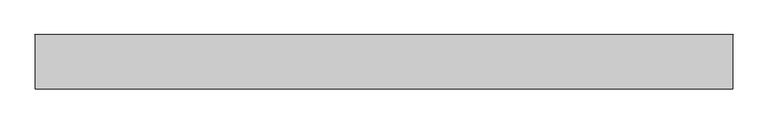
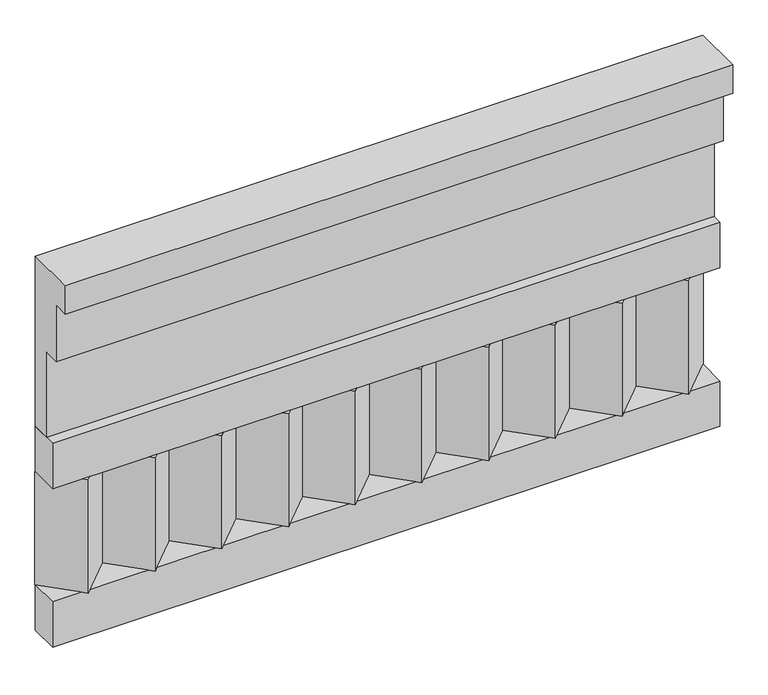
"""IFC4 building model written with IfcOpenShell, lengths in millimetres: railing geometry."""

from ifc_helpers import new_model, si_unit, frame, origin, place, context, project, spatial, polyline, outline, extrude, source, transform, mapped, element, save


def railing_4b5cf7de(model_context):
    return source(origin(), model_context, "Body", "SweptSolid", [
        extrude(outline(polyline([(-16816.8920513, 15205.0), (-16816.8920513, 14755.0), (-16866.8920513, 14755.0), (-16866.8920513, 14980.0), (-16906.8920513, 14980.0), (-16906.8920513, 15130.0), (-16946.8920513, 15130.0), (-16946.8920513, 15205.0), (-16816.8920513, 15205.0)])), frame((-26239.9887159, 0.0, 0.0), z_axis=(1.0, 0.0, 0.0), x_axis=(0.0, 1.0, 0.0)), (0.0, 0.0, 1.0), 1670.0),
        extrude(outline(polyline([(-26239.9887159, -16891.8920513), (-26239.9887159, -16816.8920513), (-24569.9887159, -16816.8920513), (-24569.9887159, -16891.8920513), (-26239.9887159, -16891.8920513)])), frame((0.0, 0.0, 14635.0), z_axis=(0.0, 0.0, 1.0), x_axis=(1.0, 0.0, 0.0)), (0.0, 0.0, 1.0), 120.0),
        extrude(outline(polyline([(-26239.9887159, -16891.8920513), (-26239.9887159, -16816.8920513), (-24569.9887159, -16816.8920513), (-24569.9887159, -16891.8920513), (-26239.9887159, -16891.8920513)])), frame((0.0, 0.0, 14215.0), z_axis=(0.0, 0.0, 1.0), x_axis=(1.0, 0.0, 0.0)), (0.0, 0.0, 1.0), 120.0),
        extrude(outline(polyline([(-24653.4887159, -16901.7448651), (-24738.3415296, -16816.8920513), (-24568.6359022, -16816.8920513), (-24653.4887159, -16901.7448651)])), frame((0.0, 0.0, 14335.0), z_axis=(0.0, 0.0, 1.0), x_axis=(1.0, 0.0, 0.0)), (0.0, 0.0, 1.0), 300.0),
        extrude(outline(polyline([(-24820.4887159, -16901.7448651), (-24905.3415296, -16816.8920513), (-24735.6359022, -16816.8920513), (-24820.4887159, -16901.7448651)])), frame((0.0, 0.0, 14335.0), z_axis=(0.0, 0.0, 1.0), x_axis=(1.0, 0.0, 0.0)), (0.0, 0.0, 1.0), 300.0),
        extrude(outline(polyline([(-24987.4887159, -16901.7448651), (-25072.3415296, -16816.8920513), (-24902.6359022, -16816.8920513), (-24987.4887159, -16901.7448651)])), frame((0.0, 0.0, 14335.0), z_axis=(0.0, 0.0, 1.0), x_axis=(1.0, 0.0, 0.0)), (0.0, 0.0, 1.0), 300.0),
        extrude(outline(polyline([(-25154.4887159, -16901.7448651), (-25239.3415296, -16816.8920513), (-25069.6359022, -16816.8920513), (-25154.4887159, -16901.7448651)])), frame((0.0, 0.0, 14335.0), z_axis=(0.0, 0.0, 1.0), x_axis=(1.0, 0.0, 0.0)), (0.0, 0.0, 1.0), 300.0),
        extrude(outline(polyline([(-25321.4887159, -16901.7448651), (-25406.3415296, -16816.8920513), (-25236.6359022, -16816.8920513), (-25321.4887159, -16901.7448651)])), frame((0.0, 0.0, 14335.0), z_axis=(0.0, 0.0, 1.0), x_axis=(1.0, 0.0, 0.0)), (0.0, 0.0, 1.0), 300.0),
        extrude(outline(polyline([(-25488.4887159, -16901.7448651), (-25573.3415296, -16816.8920513), (-25403.6359022, -16816.8920513), (-25488.4887159, -16901.7448651)])), frame((0.0, 0.0, 14335.0), z_axis=(0.0, 0.0, 1.0), x_axis=(1.0, 0.0, 0.0)), (0.0, 0.0, 1.0), 300.0),
        extrude(outline(polyline([(-25655.4887159, -16901.7448651), (-25740.3415296, -16816.8920513), (-25570.6359022, -16816.8920513), (-25655.4887159, -16901.7448651)])), frame((0.0, 0.0, 14335.0), z_axis=(0.0, 0.0, 1.0), x_axis=(1.0, 0.0, 0.0)), (0.0, 0.0, 1.0), 300.0),
        extrude(outline(polyline([(-25822.4887159, -16901.7448651), (-25907.3415296, -16816.8920513), (-25737.6359022, -16816.8920513), (-25822.4887159, -16901.7448651)])), frame((0.0, 0.0, 14335.0), z_axis=(0.0, 0.0, 1.0), x_axis=(1.0, 0.0, 0.0)), (0.0, 0.0, 1.0), 300.0),
        extrude(outline(polyline([(-25989.4887159, -16901.7448651), (-26074.3415296, -16816.8920513), (-25904.6359022, -16816.8920513), (-25989.4887159, -16901.7448651)])), frame((0.0, 0.0, 14335.0), z_axis=(0.0, 0.0, 1.0), x_axis=(1.0, 0.0, 0.0)), (0.0, 0.0, 1.0), 300.0),
        extrude(outline(polyline([(-26156.4887159, -16901.7448651), (-26241.3415296, -16816.8920513), (-26071.6359022, -16816.8920513), (-26156.4887159, -16901.7448651)])), frame((0.0, 0.0, 14335.0), z_axis=(0.0, 0.0, 1.0), x_axis=(1.0, 0.0, 0.0)), (0.0, 0.0, 1.0), 300.0),
    ])


if __name__ == "__main__":
    model = new_model("IFC4")
    model_context = context("Model", 3, world=origin())
    ifc_project = project(units=[si_unit("LENGTHUNIT", "METRE", prefix="MILLI")], contexts=[model_context])
    site = spatial("IfcSite", under=ifc_project)
    building = spatial("IfcBuilding", under=site)
    placement = place(None, origin())
    railing_shape = railing_4b5cf7de(model_context)
    element("IfcRailing", 1, at=placement, inside=building, context=model_context, shape_type="MappedRepresentation", body=[
        mapped(railing_shape, transform((0.0, 0.0, 0.0), x_axis=(1.0, 0.0, 0.0), y_axis=(0.0, 1.0, 0.0), z_axis=(0.0, 0.0, 1.0))),
    ])
    save(model, "model.ifc")
